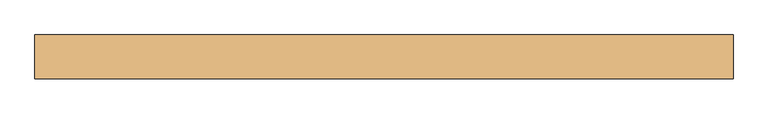
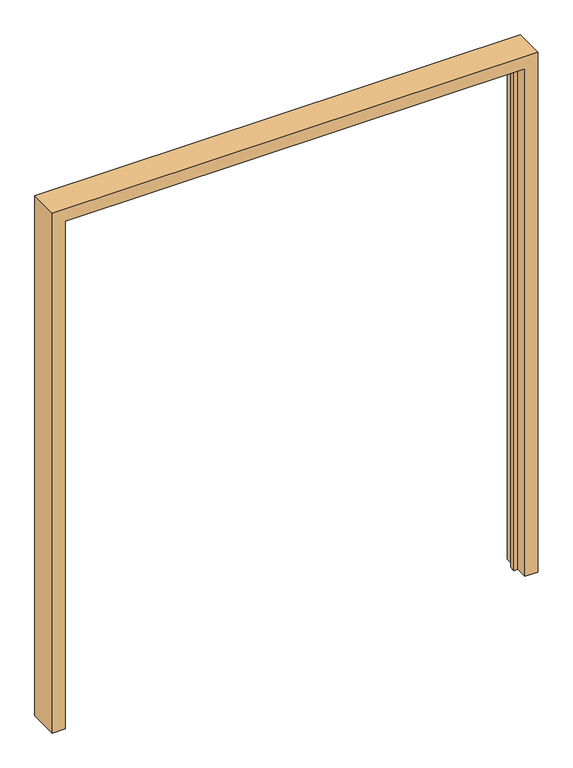
"""IFC4 building model written with IfcOpenShell, lengths in millimetres: door geometry."""

from ifc_helpers import new_model, si_unit, origin, place, context, project, spatial, faceted_brep, source, transform, mapped, element, save


def door_ed337476(model_context):
    return source(origin(), model_context, "Body", "Brep", [
        faceted_brep([(2496.4906968, -802.3160438, 0.0), (2547.2906968, -802.3160438, 0.0), (2547.2906968, -922.9660438, 0.0), (2496.4906968, -922.9660438, 0.0), (2496.4906968, -873.7535438, 0.0), (2480.6156968, -873.7535438, 0.0), (2480.6156968, -851.5285438, 0.0), (2496.4906968, -851.5285438, 0.0), (2496.4906968, -802.3160438, 2133.6), (667.6906968, -802.3160438, 2133.6), (667.6906968, -802.3160438, 0.0), (616.8906968, -802.3160438, 0.0), (616.8906968, -802.3160438, 2184.4), (2547.2906968, -802.3160438, 2184.4), (2547.2906968, -922.9660438, 2184.4), (616.8906968, -922.9660438, 2184.4), (616.8906968, -922.9660438, 0.0), (667.6906968, -922.9660438, 0.0), (667.6906968, -922.9660438, 2133.6), (2496.4906968, -922.9660438, 2133.6), (2496.4906968, -873.7535438, 2133.6), (667.6906968, -873.7535438, 2133.6), (667.6906968, -873.7535438, 0.0), (683.5656968, -873.7535438, 0.0), (683.5656968, -873.7535438, 2117.725), (2480.6156968, -873.7535438, 2117.725), (2480.6156968, -851.5285438, 2117.725), (683.5656968, -851.5285438, 2117.725), (683.5656968, -851.5285438, 0.0), (667.6906968, -851.5285438, 0.0), (667.6906968, -851.5285438, 2133.6), (2496.4906968, -851.5285438, 2133.6)], [[[0, 1, 2, 3, 4, 5, 6, 7]], [[1, 0, 8, 9, 10, 11, 12, 13]], [[2, 1, 13, 14]], [[3, 2, 14, 15, 16, 17, 18, 19]], [[4, 3, 19, 20]], [[5, 4, 20, 21, 22, 23, 24, 25]], [[6, 5, 25, 26]], [[7, 6, 26, 27, 28, 29, 30, 31]], [[0, 7, 31, 8]], [[9, 30, 29, 10]], [[10, 29, 28, 23, 22, 17, 16, 11]], [[15, 12, 11, 16]], [[21, 18, 17, 22]], [[27, 24, 23, 28]], [[14, 13, 12, 15]], [[20, 19, 18, 21]], [[26, 25, 24, 27]], [[8, 31, 30, 9]]]),
    ])


if __name__ == "__main__":
    model = new_model("IFC4")
    model_context = context("Model", 3, world=origin())
    ifc_project = project(units=[si_unit("LENGTHUNIT", "METRE", prefix="MILLI")], contexts=[model_context])
    site = spatial("IfcSite", under=ifc_project)
    building = spatial("IfcBuilding", under=site)
    placement = place(None, origin())
    door_shape = door_ed337476(model_context)
    element("IfcDoor", 1, at=placement, inside=building, context=model_context, shape_type="MappedRepresentation", body=[
        mapped(door_shape, transform((0.0, 0.0, 0.0), x_axis=(1.0, 0.0, 0.0), y_axis=(0.0, 1.0, 0.0), z_axis=(0.0, 0.0, 1.0))),
    ])
    save(model, "model.ifc")
